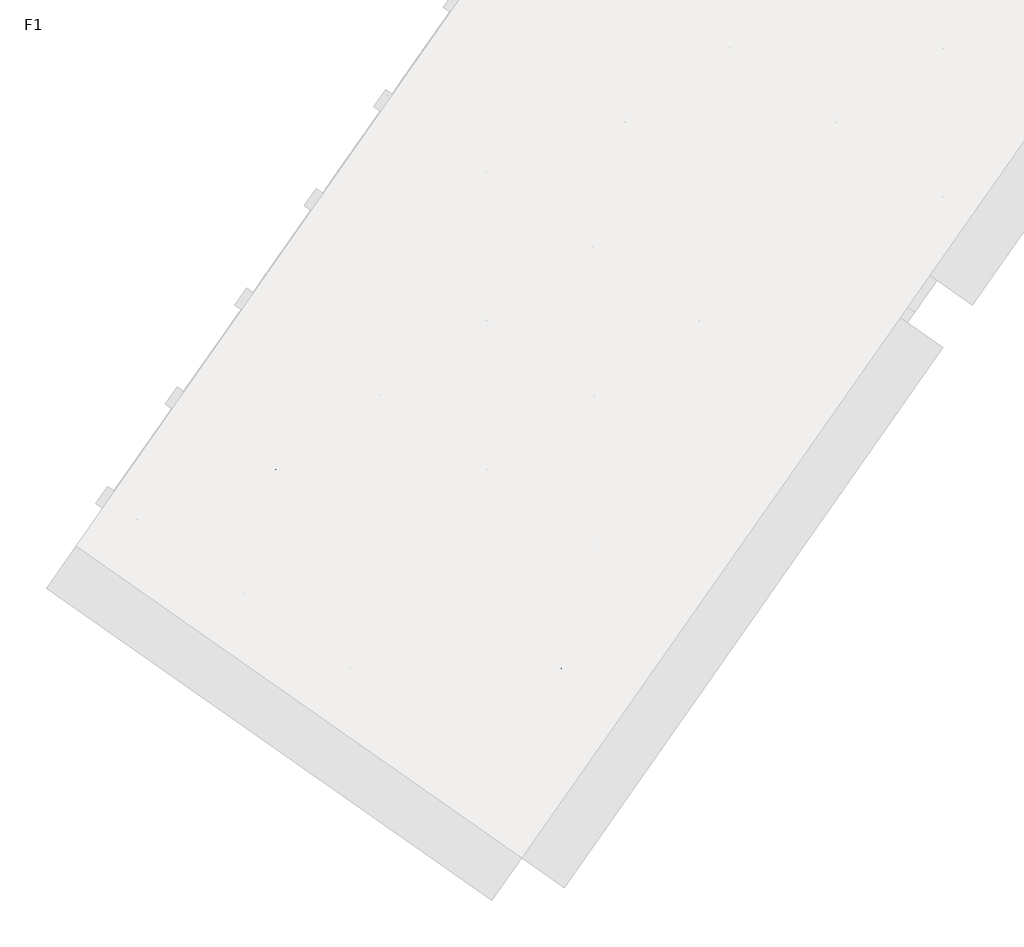
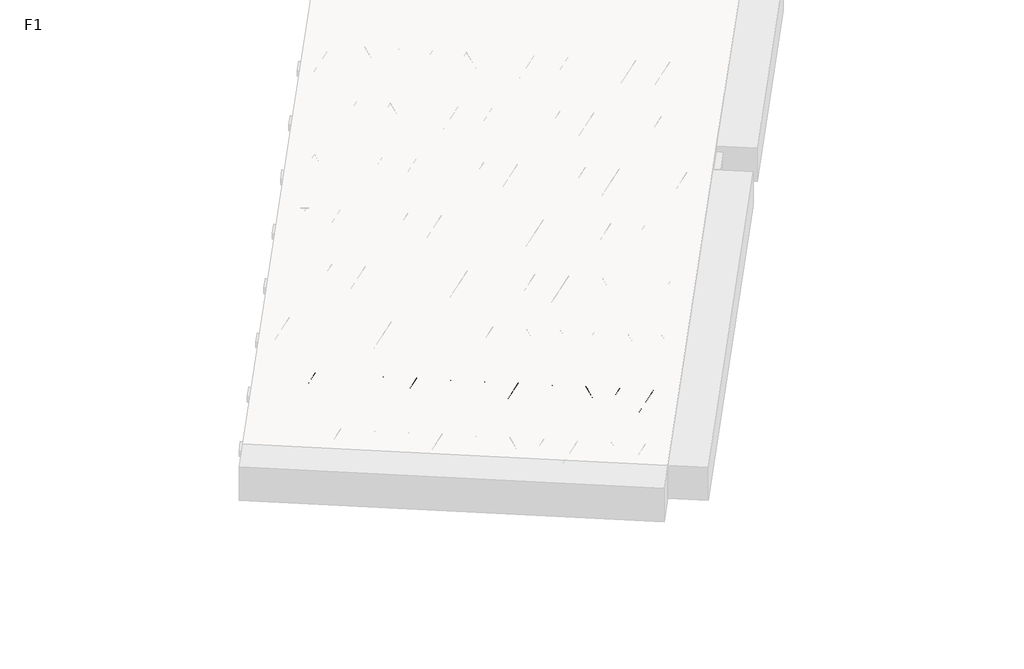
# One storey, part 3 of 30: 1 beam.
"""IFC4 building model written with IfcOpenShell, lengths in millimetres."""

from ifc_helpers import new_model, si_unit, point, frame, origin, origin_2d, place, context, project, spatial, circle_curve, trimmed, segment, composite_curve, outline, extrude, element, save

model = new_model("IFC4")

# Units and contexts
model_context = context("Model", 3, world=origin())
ifc_project = project(units=[si_unit("LENGTHUNIT", "METRE", prefix="MILLI")], contexts=[model_context])

# Site, building, storey
site = spatial("IfcSite", under=ifc_project)
building = spatial("IfcBuilding", under=site)
storey = spatial("IfcBuildingStorey", under=building, Name="F1", Elevation=99520.0)

# Beam
placement = place(None, origin())
element("IfcBeam", 1, at=placement, inside=storey, context=model_context, shape_type="SweptSolid", body=[
    extrude(outline(composite_curve([segment(trimmed(circle_curve(origin_2d(), 2.5), [point((-2.5000001, 0.0))], [point((2.5, 0.0))], False, "CARTESIAN"), True, "CONTINUOUS"), segment(trimmed(circle_curve(origin_2d(), 2.5), [point((2.5, 0.0))], [point((-2.5000001, 0.0))], False, "CARTESIAN"), True, "CONTINUOUS")], self_intersect=False)), frame((7470.6669524, -5091.5045076, 99745.0), z_axis=(-0.8191520442696126, 0.5735764363787226, 0.0), x_axis=(0.5735764363787226, 0.8191520442696126, 0.0)), (0.0, 0.0, 1.0), 3192.0),
    extrude(outline(composite_curve([segment(trimmed(circle_curve(origin_2d(), 2.5), [point((-2.5, 0.0))], [point((2.5, 0.0))], False, "CARTESIAN"), True, "CONTINUOUS"), segment(trimmed(circle_curve(origin_2d(), 2.5), [point((2.5, 0.0))], [point((-2.5, 0.0))], False, "CARTESIAN"), True, "CONTINUOUS")], self_intersect=False)), frame((7351.2407046, -4963.9334634, 99970.0), z_axis=(-0.8191520442696126, 0.5735764363787226, 0.0), x_axis=(0.5735764363787226, 0.8191520442696126, 0.0)), (0.0, 0.0, 1.0), 2850.0),
    extrude(outline(composite_curve([segment(trimmed(circle_curve(origin_2d(), 2.5), [point((-2.5, -1e-07))], [point((2.5, 0.0))], False, "CARTESIAN"), True, "CONTINUOUS"), segment(trimmed(circle_curve(origin_2d(), 2.5), [point((2.5, 0.0))], [point((-2.5, -1e-07))], False, "CARTESIAN"), True, "CONTINUOUS")], self_intersect=False)), frame((7392.0283562, -5036.4411697, 99745.0), z_axis=(-0.3145304735701046, 0.38933448886848654, 0.8657304643902053), x_axis=(0.7778747638402499, 0.6284193279813057, 0.0)), (0.0, 0.0, 1.0), 259.8961331),
    extrude(outline(composite_curve([segment(trimmed(circle_curve(origin_2d(), 2.5), [point((2.5, 0.0))], [point((-2.5000001, 0.0))], False, "CARTESIAN"), True, "CONTINUOUS"), segment(trimmed(circle_curve(origin_2d(), 2.5), [point((-2.5000001, 0.0))], [point((2.5, 0.0))], False, "CARTESIAN"), True, "CONTINUOUS")], self_intersect=False)), frame((7187.2403451, -4893.0470607, 99745.0), z_axis=(0.47343050384693375, -0.16240172737369005, 0.8657304643902051), x_axis=(-0.3244721671091268, -0.9458952440791246, 0.0)), (0.0, 0.0, 1.0), 259.8961331),
    extrude(outline(composite_curve([segment(trimmed(circle_curve(origin_2d(), 2.5), [point((-2.5, 0.0))], [point((2.5, 1e-07))], False, "CARTESIAN"), True, "CONTINUOUS"), segment(trimmed(circle_curve(origin_2d(), 2.5), [point((2.5, 1e-07))], [point((-2.5, 0.0))], False, "CARTESIAN"), True, "CONTINUOUS")], self_intersect=False)), frame((7187.2403451, -4893.0470607, 99745.0), z_axis=(-0.3145304735701046, 0.38933448886848654, 0.8657304643902053), x_axis=(0.7778747638402499, 0.6284193279813057, 0.0)), (0.0, 0.0, 1.0), 259.8961331),
    extrude(outline(composite_curve([segment(trimmed(circle_curve(origin_2d(), 2.5), [point((2.5, 0.0))], [point((-2.5000001, 0.0))], False, "CARTESIAN"), True, "CONTINUOUS"), segment(trimmed(circle_curve(origin_2d(), 2.5), [point((-2.5000001, 0.0))], [point((2.5, 0.0))], False, "CARTESIAN"), True, "CONTINUOUS")], self_intersect=False)), frame((6982.452334, -4749.6529516, 99745.0), z_axis=(0.47343050384693375, -0.16240172737369005, 0.8657304643902051), x_axis=(-0.3244721671091268, -0.9458952440791246, 0.0)), (0.0, 0.0, 1.0), 259.8961331),
    extrude(outline(composite_curve([segment(trimmed(circle_curve(origin_2d(), 2.5), [point((-2.5, 0.0))], [point((2.5000001, 0.0))], False, "CARTESIAN"), True, "CONTINUOUS"), segment(trimmed(circle_curve(origin_2d(), 2.5), [point((2.5000001, 0.0))], [point((-2.5, 0.0))], False, "CARTESIAN"), True, "CONTINUOUS")], self_intersect=False)), frame((6982.452334, -4749.6529516, 99745.0), z_axis=(-0.3145304735701046, 0.38933448886848654, 0.8657304643902053), x_axis=(0.7778747638402499, 0.6284193279813057, 0.0)), (0.0, 0.0, 1.0), 259.8961331),
    extrude(outline(composite_curve([segment(trimmed(circle_curve(origin_2d(), 2.5), [point((2.5, 0.0))], [point((-2.5, 0.0))], False, "CARTESIAN"), True, "CONTINUOUS"), segment(trimmed(circle_curve(origin_2d(), 2.5), [point((-2.5, 0.0))], [point((2.5, 0.0))], False, "CARTESIAN"), True, "CONTINUOUS")], self_intersect=False)), frame((6777.664323, -4606.2588425, 99745.0), z_axis=(0.47343050384693375, -0.16240172737369005, 0.8657304643902051), x_axis=(-0.3244721671091268, -0.9458952440791246, 0.0)), (0.0, 0.0, 1.0), 259.8961331),
    extrude(outline(composite_curve([segment(trimmed(circle_curve(origin_2d(), 2.5), [point((-2.5, 0.0))], [point((2.5, 1e-07))], False, "CARTESIAN"), True, "CONTINUOUS"), segment(trimmed(circle_curve(origin_2d(), 2.5), [point((2.5, 1e-07))], [point((-2.5, 0.0))], False, "CARTESIAN"), True, "CONTINUOUS")], self_intersect=False)), frame((6777.664323, -4606.2588425, 99745.0), z_axis=(-0.3145304735701046, 0.38933448886848654, 0.8657304643902053), x_axis=(0.7778747638402499, 0.6284193279813057, 0.0)), (0.0, 0.0, 1.0), 259.8961331),
    extrude(outline(composite_curve([segment(trimmed(circle_curve(origin_2d(), 2.5), [point((2.5, 0.0))], [point((-2.5, 0.0))], False, "CARTESIAN"), True, "CONTINUOUS"), segment(trimmed(circle_curve(origin_2d(), 2.5), [point((-2.5, 0.0))], [point((2.5, 0.0))], False, "CARTESIAN"), True, "CONTINUOUS")], self_intersect=False)), frame((6572.8763119, -4462.8647334, 99745.0), z_axis=(0.47343050384693375, -0.16240172737369005, 0.8657304643902051), x_axis=(-0.3244721671091268, -0.9458952440791246, 0.0)), (0.0, 0.0, 1.0), 259.8961331),
    extrude(outline(composite_curve([segment(trimmed(circle_curve(origin_2d(), 2.5), [point((-2.5, 0.0))], [point((2.5, 1e-07))], False, "CARTESIAN"), True, "CONTINUOUS"), segment(trimmed(circle_curve(origin_2d(), 2.5), [point((2.5, 1e-07))], [point((-2.5, 0.0))], False, "CARTESIAN"), True, "CONTINUOUS")], self_intersect=False)), frame((6572.8763119, -4462.8647334, 99745.0), z_axis=(-0.3145304735701046, 0.38933448886848654, 0.8657304643902053), x_axis=(0.7778747638402499, 0.6284193279813057, 0.0)), (0.0, 0.0, 1.0), 259.8961331),
    extrude(outline(composite_curve([segment(trimmed(circle_curve(origin_2d(), 2.5), [point((2.5, 0.0))], [point((-2.5, 1e-07))], False, "CARTESIAN"), True, "CONTINUOUS"), segment(trimmed(circle_curve(origin_2d(), 2.5), [point((-2.5, 1e-07))], [point((2.5, 0.0))], False, "CARTESIAN"), True, "CONTINUOUS")], self_intersect=False)), frame((6368.0883008, -4319.4706243, 99745.0), z_axis=(0.47343050384693375, -0.16240172737369005, 0.8657304643902051), x_axis=(-0.3244721671091268, -0.9458952440791246, 0.0)), (0.0, 0.0, 1.0), 259.8961331),
    extrude(outline(composite_curve([segment(trimmed(circle_curve(origin_2d(), 2.5), [point((-2.5, 0.0))], [point((2.5, 0.0))], False, "CARTESIAN"), True, "CONTINUOUS"), segment(trimmed(circle_curve(origin_2d(), 2.5), [point((2.5, 0.0))], [point((-2.5, 0.0))], False, "CARTESIAN"), True, "CONTINUOUS")], self_intersect=False)), frame((6368.0883008, -4319.4706243, 99745.0), z_axis=(-0.3145304735701046, 0.38933448886848654, 0.8657304643902053), x_axis=(0.7778747638402499, 0.6284193279813057, 0.0)), (0.0, 0.0, 1.0), 259.8961331),
    extrude(outline(composite_curve([segment(trimmed(circle_curve(origin_2d(), 2.5), [point((2.5, 0.0))], [point((-2.5, 0.0))], False, "CARTESIAN"), True, "CONTINUOUS"), segment(trimmed(circle_curve(origin_2d(), 2.5), [point((-2.5, 0.0))], [point((2.5, 0.0))], False, "CARTESIAN"), True, "CONTINUOUS")], self_intersect=False)), frame((6163.3002898, -4176.0765152, 99745.0), z_axis=(0.47343050384693375, -0.16240172737369005, 0.8657304643902051), x_axis=(-0.3244721671091268, -0.9458952440791246, 0.0)), (0.0, 0.0, 1.0), 259.8961331),
    extrude(outline(composite_curve([segment(trimmed(circle_curve(origin_2d(), 2.5), [point((-2.5, 0.0))], [point((2.5, 0.0))], False, "CARTESIAN"), True, "CONTINUOUS"), segment(trimmed(circle_curve(origin_2d(), 2.5), [point((2.5, 0.0))], [point((-2.5, 0.0))], False, "CARTESIAN"), True, "CONTINUOUS")], self_intersect=False)), frame((6163.3002898, -4176.0765152, 99745.0), z_axis=(-0.3145304735701046, 0.38933448886848654, 0.8657304643902053), x_axis=(0.7778747638402499, 0.6284193279813057, 0.0)), (0.0, 0.0, 1.0), 259.8961331),
    extrude(outline(composite_curve([segment(trimmed(circle_curve(origin_2d(), 2.5), [point((2.5, 0.0))], [point((-2.5, 0.0))], False, "CARTESIAN"), True, "CONTINUOUS"), segment(trimmed(circle_curve(origin_2d(), 2.5), [point((-2.5, 0.0))], [point((2.5, 0.0))], False, "CARTESIAN"), True, "CONTINUOUS")], self_intersect=False)), frame((5958.5122787, -4032.6824061, 99745.0), z_axis=(0.47343050384693375, -0.16240172737369005, 0.8657304643902051), x_axis=(-0.3244721671091268, -0.9458952440791246, 0.0)), (0.0, 0.0, 1.0), 259.8961331),
    extrude(outline(composite_curve([segment(trimmed(circle_curve(origin_2d(), 2.5), [point((-2.5, 0.0))], [point((2.5, 0.0))], False, "CARTESIAN"), True, "CONTINUOUS"), segment(trimmed(circle_curve(origin_2d(), 2.5), [point((2.5, 0.0))], [point((-2.5, 0.0))], False, "CARTESIAN"), True, "CONTINUOUS")], self_intersect=False)), frame((5958.5122787, -4032.6824061, 99745.0), z_axis=(-0.3145304735701046, 0.38933448886848654, 0.8657304643902053), x_axis=(0.7778747638402499, 0.6284193279813057, 0.0)), (0.0, 0.0, 1.0), 259.8961331),
    extrude(outline(composite_curve([segment(trimmed(circle_curve(origin_2d(), 2.5), [point((2.5, 0.0))], [point((-2.5, 1e-07))], False, "CARTESIAN"), True, "CONTINUOUS"), segment(trimmed(circle_curve(origin_2d(), 2.5), [point((-2.5, 1e-07))], [point((2.5, 0.0))], False, "CARTESIAN"), True, "CONTINUOUS")], self_intersect=False)), frame((5753.7242676, -3889.288297, 99745.0), z_axis=(0.47343050384693375, -0.16240172737369005, 0.8657304643902051), x_axis=(-0.3244721671091268, -0.9458952440791246, 0.0)), (0.0, 0.0, 1.0), 259.8961331),
    extrude(outline(composite_curve([segment(trimmed(circle_curve(origin_2d(), 2.5), [point((-2.5, 0.0))], [point((2.5, 0.0))], False, "CARTESIAN"), True, "CONTINUOUS"), segment(trimmed(circle_curve(origin_2d(), 2.5), [point((2.5, 0.0))], [point((-2.5, 0.0))], False, "CARTESIAN"), True, "CONTINUOUS")], self_intersect=False)), frame((5753.7242676, -3889.288297, 99745.0), z_axis=(-0.3145304735701046, 0.38933448886848654, 0.8657304643902053), x_axis=(0.7778747638402499, 0.6284193279813057, 0.0)), (0.0, 0.0, 1.0), 259.8961331),
    extrude(outline(composite_curve([segment(trimmed(circle_curve(origin_2d(), 2.5), [point((2.5, 0.0))], [point((-2.5, 0.0))], False, "CARTESIAN"), True, "CONTINUOUS"), segment(trimmed(circle_curve(origin_2d(), 2.5), [point((-2.5, 0.0))], [point((2.5, 0.0))], False, "CARTESIAN"), True, "CONTINUOUS")], self_intersect=False)), frame((5548.9362566, -3745.8941879, 99745.0), z_axis=(0.47343050384693375, -0.16240172737369005, 0.8657304643902051), x_axis=(-0.3244721671091268, -0.9458952440791246, 0.0)), (0.0, 0.0, 1.0), 259.8961331),
    extrude(outline(composite_curve([segment(trimmed(circle_curve(origin_2d(), 2.5), [point((-2.5, 0.0))], [point((2.5, 0.0))], False, "CARTESIAN"), True, "CONTINUOUS"), segment(trimmed(circle_curve(origin_2d(), 2.5), [point((2.5, 0.0))], [point((-2.5, 0.0))], False, "CARTESIAN"), True, "CONTINUOUS")], self_intersect=False)), frame((5548.9362566, -3745.8941879, 99745.0), z_axis=(-0.3145304735701046, 0.38933448886848654, 0.8657304643902053), x_axis=(0.7778747638402499, 0.6284193279813057, 0.0)), (0.0, 0.0, 1.0), 259.8961331),
    extrude(outline(composite_curve([segment(trimmed(circle_curve(origin_2d(), 2.5), [point((2.5, 0.0))], [point((-2.5, 0.0))], False, "CARTESIAN"), True, "CONTINUOUS"), segment(trimmed(circle_curve(origin_2d(), 2.5), [point((-2.5, 0.0))], [point((2.5, 0.0))], False, "CARTESIAN"), True, "CONTINUOUS")], self_intersect=False)), frame((5344.1482455, -3602.5000788, 99745.0), z_axis=(0.47343050384693375, -0.16240172737369005, 0.8657304643902051), x_axis=(-0.3244721671091268, -0.9458952440791246, 0.0)), (0.0, 0.0, 1.0), 259.8961331),
    extrude(outline(composite_curve([segment(trimmed(circle_curve(origin_2d(), 2.5), [point((-2.5, 0.0))], [point((2.5, 0.0))], False, "CARTESIAN"), True, "CONTINUOUS"), segment(trimmed(circle_curve(origin_2d(), 2.5), [point((2.5, 0.0))], [point((-2.5, 0.0))], False, "CARTESIAN"), True, "CONTINUOUS")], self_intersect=False)), frame((5344.1482455, -3602.5000788, 99745.0), z_axis=(-0.3145304735701046, 0.38933448886848654, 0.8657304643902053), x_axis=(0.7778747638402499, 0.6284193279813057, 0.0)), (0.0, 0.0, 1.0), 259.8961331),
    extrude(outline(composite_curve([segment(trimmed(circle_curve(origin_2d(), 2.5), [point((2.5, 0.0))], [point((-2.5, 1e-07))], False, "CARTESIAN"), True, "CONTINUOUS"), segment(trimmed(circle_curve(origin_2d(), 2.5), [point((-2.5, 1e-07))], [point((2.5, 0.0))], False, "CARTESIAN"), True, "CONTINUOUS")], self_intersect=False)), frame((5139.3602344, -3459.1059697, 99745.0), z_axis=(0.47343050384693375, -0.16240172737369005, 0.8657304643902051), x_axis=(-0.3244721671091268, -0.9458952440791246, 0.0)), (0.0, 0.0, 1.0), 259.8961331),
    extrude(outline(composite_curve([segment(trimmed(circle_curve(origin_2d(), 2.5), [point((-2.5, 0.0))], [point((2.5, 0.0))], False, "CARTESIAN"), True, "CONTINUOUS"), segment(trimmed(circle_curve(origin_2d(), 2.5), [point((2.5, 0.0))], [point((-2.5, 0.0))], False, "CARTESIAN"), True, "CONTINUOUS")], self_intersect=False)), frame((5139.3602344, -3459.1059697, 99745.0), z_axis=(-0.3145304735701046, 0.38933448886848654, 0.8657304643902053), x_axis=(0.7778747638402499, 0.6284193279813057, 0.0)), (0.0, 0.0, 1.0), 259.8961331),
    extrude(outline(composite_curve([segment(trimmed(circle_curve(origin_2d(), 2.5), [point((2.5, 0.0))], [point((-2.5, 0.0))], False, "CARTESIAN"), True, "CONTINUOUS"), segment(trimmed(circle_curve(origin_2d(), 2.5), [point((-2.5, 0.0))], [point((2.5, 0.0))], False, "CARTESIAN"), True, "CONTINUOUS")], self_intersect=False)), frame((4934.5722234, -3315.7118606, 99745.0), z_axis=(0.47343050384693375, -0.16240172737369005, 0.8657304643902051), x_axis=(-0.3244721671091268, -0.9458952440791246, 0.0)), (0.0, 0.0, 1.0), 259.8961331),
    extrude(outline(composite_curve([segment(trimmed(circle_curve(origin_2d(), 2.5), [point((-2.4999999, 0.0))], [point((2.5000001, 0.0))], False, "CARTESIAN"), True, "CONTINUOUS"), segment(trimmed(circle_curve(origin_2d(), 2.5), [point((2.5000001, 0.0))], [point((-2.4999999, 0.0))], False, "CARTESIAN"), True, "CONTINUOUS")], self_intersect=False)), frame((7511.9644558, -5032.5255605, 99745.0), z_axis=(-0.8191520442696126, 0.5735764363787226, 0.0), x_axis=(0.5735764363787226, 0.8191520442696126, 0.0)), (0.0, 0.0, 1.0), 3192.0),
    extrude(outline(composite_curve([segment(trimmed(circle_curve(origin_2d(), 2.5), [point((-2.5, 0.0))], [point((2.5, 0.0))], False, "CARTESIAN"), True, "CONTINUOUS"), segment(trimmed(circle_curve(origin_2d(), 2.5), [point((2.5, 0.0))], [point((-2.5, 0.0))], False, "CARTESIAN"), True, "CONTINUOUS")], self_intersect=False)), frame((7433.3258596, -4977.4622226, 99745.0), z_axis=(-0.47343050384693375, 0.16240172737369005, 0.8657304643902051), x_axis=(0.3244721671091268, 0.9458952440791246, 0.0)), (0.0, 0.0, 1.0), 259.8961331),
    extrude(outline(composite_curve([segment(trimmed(circle_curve(origin_2d(), 2.5), [point((2.5, 0.0))], [point((-2.5, -1e-07))], False, "CARTESIAN"), True, "CONTINUOUS"), segment(trimmed(circle_curve(origin_2d(), 2.5), [point((-2.5, -1e-07))], [point((2.5, 0.0))], False, "CARTESIAN"), True, "CONTINUOUS")], self_intersect=False)), frame((7228.5378485, -4834.0681135, 99745.0), z_axis=(0.3145304735701046, -0.38933448886848654, 0.8657304643902053), x_axis=(-0.7778747638402499, -0.6284193279813057, 0.0)), (0.0, 0.0, 1.0), 259.8961331),
    extrude(outline(composite_curve([segment(trimmed(circle_curve(origin_2d(), 2.5), [point((-2.5, 0.0))], [point((2.5, 0.0))], False, "CARTESIAN"), True, "CONTINUOUS"), segment(trimmed(circle_curve(origin_2d(), 2.5), [point((2.5, 0.0))], [point((-2.5, 0.0))], False, "CARTESIAN"), True, "CONTINUOUS")], self_intersect=False)), frame((7228.5378485, -4834.0681135, 99745.0), z_axis=(-0.47343050384693375, 0.16240172737369005, 0.8657304643902051), x_axis=(0.3244721671091268, 0.9458952440791246, 0.0)), (0.0, 0.0, 1.0), 259.8961331),
    extrude(outline(composite_curve([segment(trimmed(circle_curve(origin_2d(), 2.5), [point((2.5, 0.0))], [point((-2.5, 0.0))], False, "CARTESIAN"), True, "CONTINUOUS"), segment(trimmed(circle_curve(origin_2d(), 2.5), [point((-2.5, 0.0))], [point((2.5, 0.0))], False, "CARTESIAN"), True, "CONTINUOUS")], self_intersect=False)), frame((7023.7498375, -4690.6740044, 99745.0), z_axis=(0.3145304735701046, -0.38933448886848654, 0.8657304643902053), x_axis=(-0.7778747638402499, -0.6284193279813057, 0.0)), (0.0, 0.0, 1.0), 259.8961331),
    extrude(outline(composite_curve([segment(trimmed(circle_curve(origin_2d(), 2.5), [point((-2.5, 1e-07))], [point((2.5, 0.0))], False, "CARTESIAN"), True, "CONTINUOUS"), segment(trimmed(circle_curve(origin_2d(), 2.5), [point((2.5, 0.0))], [point((-2.5, 1e-07))], False, "CARTESIAN"), True, "CONTINUOUS")], self_intersect=False)), frame((7023.7498375, -4690.6740044, 99745.0), z_axis=(-0.47343050384693375, 0.16240172737369005, 0.8657304643902051), x_axis=(0.3244721671091268, 0.9458952440791246, 0.0)), (0.0, 0.0, 1.0), 259.8961331),
    extrude(outline(composite_curve([segment(trimmed(circle_curve(origin_2d(), 2.5), [point((2.5, 0.0))], [point((-2.5, 0.0))], False, "CARTESIAN"), True, "CONTINUOUS"), segment(trimmed(circle_curve(origin_2d(), 2.5), [point((-2.5, 0.0))], [point((2.5, 0.0))], False, "CARTESIAN"), True, "CONTINUOUS")], self_intersect=False)), frame((6818.9618264, -4547.2798953, 99745.0), z_axis=(0.3145304735701046, -0.38933448886848654, 0.8657304643902053), x_axis=(-0.7778747638402499, -0.6284193279813057, 0.0)), (0.0, 0.0, 1.0), 259.8961331),
    extrude(outline(composite_curve([segment(trimmed(circle_curve(origin_2d(), 2.5), [point((-2.5, 0.0))], [point((2.5, 0.0))], False, "CARTESIAN"), True, "CONTINUOUS"), segment(trimmed(circle_curve(origin_2d(), 2.5), [point((2.5, 0.0))], [point((-2.5, 0.0))], False, "CARTESIAN"), True, "CONTINUOUS")], self_intersect=False)), frame((6818.9618264, -4547.2798953, 99745.0), z_axis=(-0.47343050384693375, 0.16240172737369005, 0.8657304643902051), x_axis=(0.3244721671091268, 0.9458952440791246, 0.0)), (0.0, 0.0, 1.0), 259.8961331),
    extrude(outline(composite_curve([segment(trimmed(circle_curve(origin_2d(), 2.5), [point((2.5, 0.0))], [point((-2.5, 0.0))], False, "CARTESIAN"), True, "CONTINUOUS"), segment(trimmed(circle_curve(origin_2d(), 2.5), [point((-2.5, 0.0))], [point((2.5, 0.0))], False, "CARTESIAN"), True, "CONTINUOUS")], self_intersect=False)), frame((6614.1738153, -4403.8857862, 99745.0), z_axis=(0.3145304735701046, -0.38933448886848654, 0.8657304643902053), x_axis=(-0.7778747638402499, -0.6284193279813057, 0.0)), (0.0, 0.0, 1.0), 259.8961331),
    extrude(outline(composite_curve([segment(trimmed(circle_curve(origin_2d(), 2.5), [point((-2.5, 0.0))], [point((2.5, 0.0))], False, "CARTESIAN"), True, "CONTINUOUS"), segment(trimmed(circle_curve(origin_2d(), 2.5), [point((2.5, 0.0))], [point((-2.5, 0.0))], False, "CARTESIAN"), True, "CONTINUOUS")], self_intersect=False)), frame((6614.1738153, -4403.8857862, 99745.0), z_axis=(-0.47343050384693375, 0.16240172737369005, 0.8657304643902051), x_axis=(0.3244721671091268, 0.9458952440791246, 0.0)), (0.0, 0.0, 1.0), 259.8961331),
    extrude(outline(composite_curve([segment(trimmed(circle_curve(origin_2d(), 2.5), [point((2.5000001, -1e-07))], [point((-2.5, 0.0))], False, "CARTESIAN"), True, "CONTINUOUS"), segment(trimmed(circle_curve(origin_2d(), 2.5), [point((-2.5, 0.0))], [point((2.5000001, -1e-07))], False, "CARTESIAN"), True, "CONTINUOUS")], self_intersect=False)), frame((6409.3858043, -4260.4916771, 99745.0), z_axis=(0.3145304735701046, -0.38933448886848654, 0.8657304643902053), x_axis=(-0.7778747638402499, -0.6284193279813057, 0.0)), (0.0, 0.0, 1.0), 259.8961331),
    extrude(outline(composite_curve([segment(trimmed(circle_curve(origin_2d(), 2.5), [point((-2.5, 1e-07))], [point((2.5, 0.0))], False, "CARTESIAN"), True, "CONTINUOUS"), segment(trimmed(circle_curve(origin_2d(), 2.5), [point((2.5, 0.0))], [point((-2.5, 1e-07))], False, "CARTESIAN"), True, "CONTINUOUS")], self_intersect=False)), frame((6409.3858043, -4260.4916771, 99745.0), z_axis=(-0.47343050384693375, 0.16240172737369005, 0.8657304643902051), x_axis=(0.3244721671091268, 0.9458952440791246, 0.0)), (0.0, 0.0, 1.0), 259.8961331),
    extrude(outline(composite_curve([segment(trimmed(circle_curve(origin_2d(), 2.5), [point((2.5, 0.0))], [point((-2.5, 0.0))], False, "CARTESIAN"), True, "CONTINUOUS"), segment(trimmed(circle_curve(origin_2d(), 2.5), [point((-2.5, 0.0))], [point((2.5, 0.0))], False, "CARTESIAN"), True, "CONTINUOUS")], self_intersect=False)), frame((6204.5977932, -4117.097568, 99745.0), z_axis=(0.3145304735701046, -0.38933448886848654, 0.8657304643902053), x_axis=(-0.7778747638402499, -0.6284193279813057, 0.0)), (0.0, 0.0, 1.0), 259.8961331),
    extrude(outline(composite_curve([segment(trimmed(circle_curve(origin_2d(), 2.5), [point((-2.5, 0.0))], [point((2.5, 0.0))], False, "CARTESIAN"), True, "CONTINUOUS"), segment(trimmed(circle_curve(origin_2d(), 2.5), [point((2.5, 0.0))], [point((-2.5, 0.0))], False, "CARTESIAN"), True, "CONTINUOUS")], self_intersect=False)), frame((6204.5977932, -4117.097568, 99745.0), z_axis=(-0.47343050384693375, 0.16240172737369005, 0.8657304643902051), x_axis=(0.3244721671091268, 0.9458952440791246, 0.0)), (0.0, 0.0, 1.0), 259.8961331),
    extrude(outline(composite_curve([segment(trimmed(circle_curve(origin_2d(), 2.5), [point((2.5, 0.0))], [point((-2.5, 0.0))], False, "CARTESIAN"), True, "CONTINUOUS"), segment(trimmed(circle_curve(origin_2d(), 2.5), [point((-2.5, 0.0))], [point((2.5, 0.0))], False, "CARTESIAN"), True, "CONTINUOUS")], self_intersect=False)), frame((5999.8097821, -3973.7034589, 99745.0), z_axis=(0.3145304735701046, -0.38933448886848654, 0.8657304643902053), x_axis=(-0.7778747638402499, -0.6284193279813057, 0.0)), (0.0, 0.0, 1.0), 259.8961331),
    extrude(outline(composite_curve([segment(trimmed(circle_curve(origin_2d(), 2.5), [point((-2.5, 0.0))], [point((2.5, 0.0))], False, "CARTESIAN"), True, "CONTINUOUS"), segment(trimmed(circle_curve(origin_2d(), 2.5), [point((2.5, 0.0))], [point((-2.5, 0.0))], False, "CARTESIAN"), True, "CONTINUOUS")], self_intersect=False)), frame((5999.8097821, -3973.7034589, 99745.0), z_axis=(-0.47343050384693375, 0.16240172737369005, 0.8657304643902051), x_axis=(0.3244721671091268, 0.9458952440791246, 0.0)), (0.0, 0.0, 1.0), 259.8961331),
    extrude(outline(composite_curve([segment(trimmed(circle_curve(origin_2d(), 2.5), [point((2.5000001, -1e-07))], [point((-2.5, 0.0))], False, "CARTESIAN"), True, "CONTINUOUS"), segment(trimmed(circle_curve(origin_2d(), 2.5), [point((-2.5, 0.0))], [point((2.5000001, -1e-07))], False, "CARTESIAN"), True, "CONTINUOUS")], self_intersect=False)), frame((5795.0217711, -3830.3093498, 99745.0), z_axis=(0.3145304735701046, -0.38933448886848654, 0.8657304643902053), x_axis=(-0.7778747638402499, -0.6284193279813057, 0.0)), (0.0, 0.0, 1.0), 259.8961331),
    extrude(outline(composite_curve([segment(trimmed(circle_curve(origin_2d(), 2.5), [point((-2.5, 1e-07))], [point((2.5, 0.0))], False, "CARTESIAN"), True, "CONTINUOUS"), segment(trimmed(circle_curve(origin_2d(), 2.5), [point((2.5, 0.0))], [point((-2.5, 1e-07))], False, "CARTESIAN"), True, "CONTINUOUS")], self_intersect=False)), frame((5795.0217711, -3830.3093498, 99745.0), z_axis=(-0.47343050384693375, 0.16240172737369005, 0.8657304643902051), x_axis=(0.3244721671091268, 0.9458952440791246, 0.0)), (0.0, 0.0, 1.0), 259.8961331),
    extrude(outline(composite_curve([segment(trimmed(circle_curve(origin_2d(), 2.5), [point((2.5, 0.0))], [point((-2.5, 0.0))], False, "CARTESIAN"), True, "CONTINUOUS"), segment(trimmed(circle_curve(origin_2d(), 2.5), [point((-2.5, 0.0))], [point((2.5, 0.0))], False, "CARTESIAN"), True, "CONTINUOUS")], self_intersect=False)), frame((5590.23376, -3686.9152407, 99745.0), z_axis=(0.3145304735701046, -0.38933448886848654, 0.8657304643902053), x_axis=(-0.7778747638402499, -0.6284193279813057, 0.0)), (0.0, 0.0, 1.0), 259.8961331),
    extrude(outline(composite_curve([segment(trimmed(circle_curve(origin_2d(), 2.5), [point((-2.5, 0.0))], [point((2.5, 0.0))], False, "CARTESIAN"), True, "CONTINUOUS"), segment(trimmed(circle_curve(origin_2d(), 2.5), [point((2.5, 0.0))], [point((-2.5, 0.0))], False, "CARTESIAN"), True, "CONTINUOUS")], self_intersect=False)), frame((5590.23376, -3686.9152407, 99745.0), z_axis=(-0.47343050384693375, 0.16240172737369005, 0.8657304643902051), x_axis=(0.3244721671091268, 0.9458952440791246, 0.0)), (0.0, 0.0, 1.0), 259.8961331),
    extrude(outline(composite_curve([segment(trimmed(circle_curve(origin_2d(), 2.5), [point((2.5, 0.0))], [point((-2.5, 0.0))], False, "CARTESIAN"), True, "CONTINUOUS"), segment(trimmed(circle_curve(origin_2d(), 2.5), [point((-2.5, 0.0))], [point((2.5, 0.0))], False, "CARTESIAN"), True, "CONTINUOUS")], self_intersect=False)), frame((5385.4457489, -3543.5211316, 99745.0), z_axis=(0.3145304735701046, -0.38933448886848654, 0.8657304643902053), x_axis=(-0.7778747638402499, -0.6284193279813057, 0.0)), (0.0, 0.0, 1.0), 259.8961331),
    extrude(outline(composite_curve([segment(trimmed(circle_curve(origin_2d(), 2.5), [point((-2.5, 0.0))], [point((2.5, 0.0))], False, "CARTESIAN"), True, "CONTINUOUS"), segment(trimmed(circle_curve(origin_2d(), 2.5), [point((2.5, 0.0))], [point((-2.5, 0.0))], False, "CARTESIAN"), True, "CONTINUOUS")], self_intersect=False)), frame((5385.4457489, -3543.5211316, 99745.0), z_axis=(-0.47343050384693375, 0.16240172737369005, 0.8657304643902051), x_axis=(0.3244721671091268, 0.9458952440791246, 0.0)), (0.0, 0.0, 1.0), 259.8961331),
    extrude(outline(composite_curve([segment(trimmed(circle_curve(origin_2d(), 2.5), [point((2.5000001, -1e-07))], [point((-2.5, 0.0))], False, "CARTESIAN"), True, "CONTINUOUS"), segment(trimmed(circle_curve(origin_2d(), 2.5), [point((-2.5, 0.0))], [point((2.5000001, -1e-07))], False, "CARTESIAN"), True, "CONTINUOUS")], self_intersect=False)), frame((5180.6577379, -3400.1270225, 99745.0), z_axis=(0.3145304735701046, -0.38933448886848654, 0.8657304643902053), x_axis=(-0.7778747638402499, -0.6284193279813057, 0.0)), (0.0, 0.0, 1.0), 259.8961331),
    extrude(outline(composite_curve([segment(trimmed(circle_curve(origin_2d(), 2.5), [point((-2.5, 1e-07))], [point((2.5, 0.0))], False, "CARTESIAN"), True, "CONTINUOUS"), segment(trimmed(circle_curve(origin_2d(), 2.5), [point((2.5, 0.0))], [point((-2.5, 1e-07))], False, "CARTESIAN"), True, "CONTINUOUS")], self_intersect=False)), frame((5180.6577379, -3400.1270225, 99745.0), z_axis=(-0.47343050384693375, 0.16240172737369005, 0.8657304643902051), x_axis=(0.3244721671091268, 0.9458952440791246, 0.0)), (0.0, 0.0, 1.0), 259.8961331),
    extrude(outline(composite_curve([segment(trimmed(circle_curve(origin_2d(), 2.5), [point((2.5, 0.0))], [point((-2.5, 0.0))], False, "CARTESIAN"), True, "CONTINUOUS"), segment(trimmed(circle_curve(origin_2d(), 2.5), [point((-2.5, 0.0))], [point((2.5, 0.0))], False, "CARTESIAN"), True, "CONTINUOUS")], self_intersect=False)), frame((4975.8697268, -3256.7329134, 99745.0), z_axis=(0.3145304735701046, -0.38933448886848654, 0.8657304643902053), x_axis=(-0.7778747638402499, -0.6284193279813057, 0.0)), (0.0, 0.0, 1.0), 259.8961331),
])

save(model, "model.ifc")
